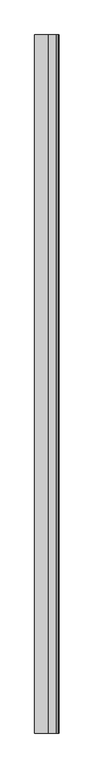
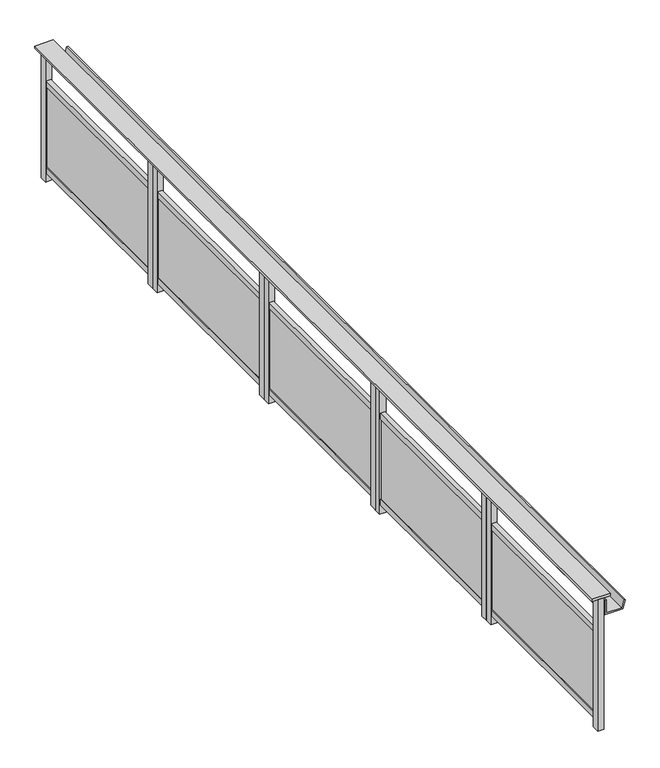
"""IFC4 building model written with IfcOpenShell, lengths in millimetres: railing geometry."""

from ifc_helpers import new_model, si_unit, point, frame, frame_2d, origin, origin_with_axes, place, context, project, spatial, polyline, circle_curve, trimmed, segment, composite_curve, outline, extrude, source, transform, mapped, element, save


def railing_ffc01431(model_context):
    return source(origin(), model_context, "Body", "SweptSolid", [
        extrude(outline(polyline([(2940.5303378, -25760.8033767), (2820.5303378, -25760.8033767), (2820.5303378, -19510.8033767), (2940.5303378, -19510.8033767), (2940.5303378, -25760.8033767)])), frame((0.0, 0.0, 899.8828423), z_axis=(0.0, 0.0, 1.0), x_axis=(1.0, 0.0, 0.0)), (0.0, 0.0, 1.0), 15.1171577),
        extrude(outline(polyline([(780.0, 2905.5303378), (780.0, 3022.7382617), (836.340031, 3037.8345275), (838.9282214, 3028.1752692), (790.0, 3015.0649918), (790.0, 2915.5303378), (880.0, 2915.5303378), (880.0, 2905.5303378), (780.0, 2905.5303378)])), frame((0.0, -25760.8033767, 0.0), z_axis=(0.0, 1.0, 0.0), x_axis=(0.0, 0.0, 1.0)), (0.0, 0.0, 1.0), 6250.0),
        extrude(outline(composite_curve([segment(polyline([(2870.5303378, -19560.8026662), (2880.5303378, -19560.8026662)]), True, "CONTINUOUS"), segment(trimmed(circle_curve(frame_2d((2693.4120647, -19618.3030214)), 195.7537713), [point((2880.5303378, -19560.8026662))], [point((2880.5303378, -19675.8033767))], False, "CARTESIAN"), True, "CONTINUOUS"), segment(trimmed(circle_curve(frame_2d((2693.4120647, -19733.3037319)), 195.7537713), [point((2880.5303378, -19675.8033767))], [point((2880.5303378, -19790.8040871))], False, "CARTESIAN"), True, "CONTINUOUS"), segment(trimmed(circle_curve(frame_2d((2693.4120647, -19848.3044424)), 195.7537713), [point((2880.5303378, -19790.8040871))], [point((2880.5303378, -19905.8047976))], False, "CARTESIAN"), True, "CONTINUOUS"), segment(trimmed(circle_curve(frame_2d((2693.4120647, -19963.3051528)), 195.7537713), [point((2880.5303378, -19905.8047976))], [point((2880.5303378, -20020.8055081))], False, "CARTESIAN"), True, "CONTINUOUS"), segment(trimmed(circle_curve(frame_2d((2693.4120647, -20078.3058633)), 195.7537713), [point((2880.5303378, -20020.8055081))], [point((2880.5303378, -20135.8062185))], False, "CARTESIAN"), True, "CONTINUOUS"), segment(trimmed(circle_curve(frame_2d((2693.4120647, -20193.3065738)), 195.7537713), [point((2880.5303378, -20135.8062185))], [point((2880.5303378, -20250.806929))], False, "CARTESIAN"), True, "CONTINUOUS"), segment(trimmed(circle_curve(frame_2d((2693.4120647, -20308.3072842)), 195.7537713), [point((2880.5303378, -20250.806929))], [point((2880.5303378, -20365.8076395))], False, "CARTESIAN"), True, "CONTINUOUS"), segment(trimmed(circle_curve(frame_2d((2693.4120647, -20423.3079947)), 195.7537713), [point((2880.5303378, -20365.8076395))], [point((2880.5303378, -20480.8083499))], False, "CARTESIAN"), True, "CONTINUOUS"), segment(trimmed(circle_curve(frame_2d((2693.4120647, -20538.3087052)), 195.7537713), [point((2880.5303378, -20480.8083499))], [point((2880.5303378, -20595.8090604))], False, "CARTESIAN"), True, "CONTINUOUS"), segment(trimmed(circle_curve(frame_2d((2693.4120647, -20653.3094156)), 195.7537713), [point((2880.5303378, -20595.8090604))], [point((2880.5303378, -20710.8097709))], False, "CARTESIAN"), True, "CONTINUOUS"), segment(polyline([(2880.5303378, -20710.8097709), (2870.5303378, -20710.8097709), (2870.5303378, -19560.8026662)]), True, "CONTINUOUS")], self_intersect=False)), frame((0.0, 0.0, 100.0), z_axis=(0.0, 0.0, 1.0), x_axis=(1.0, 0.0, 0.0)), (0.0, 0.0, 1.0), 550.0),
        extrude(outline(polyline([(2895.5303378, -19560.8026662), (2895.5303378, -20710.8030382), (2865.5303378, -20710.8030382), (2865.5303378, -19560.8026662), (2895.5303378, -19560.8026662)])), frame((0.0, 0.0, 649.9990226), z_axis=(0.0, 0.0, 1.0), x_axis=(1.0, 0.0, 0.0)), (0.0, 0.0, 1.0), 40.0009774),
        extrude(outline(polyline([(2895.5303378, -19560.8026662), (2895.5303378, -20710.8030382), (2865.5303378, -20710.8030382), (2865.5303378, -19560.8026662), (2895.5303378, -19560.8026662)])), frame((0.0, 0.0, 60.0), z_axis=(0.0, 0.0, 1.0), x_axis=(1.0, 0.0, 0.0)), (0.0, 0.0, 1.0), 40.0),
        extrude(outline(polyline([(2900.5303378, -19510.8033767), (2900.5303378, -19560.8033767), (2860.5303378, -19560.8033767), (2860.5303378, -19510.8033767), (2900.5303378, -19510.8033767)])), origin_with_axes(), (0.0, 0.0, 1.0), 900.0),
        extrude(outline(polyline([(2900.5303378, -20710.8030382), (2900.5303378, -20760.8030382), (2860.5303378, -20760.8030382), (2860.5303378, -20710.8030382), (2900.5303378, -20710.8030382)])), origin_with_axes(), (0.0, 0.0, 1.0), 900.0),
        extrude(outline(composite_curve([segment(polyline([(2870.5303378, -20811.8026662), (2880.5303378, -20811.8026662)]), True, "CONTINUOUS"), segment(trimmed(circle_curve(frame_2d((2693.4120647, -20869.3030214)), 195.7537713), [point((2880.5303378, -20811.8026662))], [point((2880.5303378, -20926.8033767))], False, "CARTESIAN"), True, "CONTINUOUS"), segment(trimmed(circle_curve(frame_2d((2693.4120647, -20984.3037319)), 195.7537713), [point((2880.5303378, -20926.8033767))], [point((2880.5303378, -21041.8040871))], False, "CARTESIAN"), True, "CONTINUOUS"), segment(trimmed(circle_curve(frame_2d((2693.4120647, -21099.3044424)), 195.7537713), [point((2880.5303378, -21041.8040871))], [point((2880.5303378, -21156.8047976))], False, "CARTESIAN"), True, "CONTINUOUS"), segment(trimmed(circle_curve(frame_2d((2693.4120647, -21214.3051528)), 195.7537713), [point((2880.5303378, -21156.8047976))], [point((2880.5303378, -21271.8055081))], False, "CARTESIAN"), True, "CONTINUOUS"), segment(trimmed(circle_curve(frame_2d((2693.4120647, -21329.3058633)), 195.7537713), [point((2880.5303378, -21271.8055081))], [point((2880.5303378, -21386.8062185))], False, "CARTESIAN"), True, "CONTINUOUS"), segment(trimmed(circle_curve(frame_2d((2693.4120647, -21444.3065738)), 195.7537713), [point((2880.5303378, -21386.8062185))], [point((2880.5303378, -21501.806929))], False, "CARTESIAN"), True, "CONTINUOUS"), segment(trimmed(circle_curve(frame_2d((2693.4120647, -21559.3072842)), 195.7537713), [point((2880.5303378, -21501.806929))], [point((2880.5303378, -21616.8076395))], False, "CARTESIAN"), True, "CONTINUOUS"), segment(trimmed(circle_curve(frame_2d((2693.4120647, -21674.3079947)), 195.7537713), [point((2880.5303378, -21616.8076395))], [point((2880.5303378, -21731.8083499))], False, "CARTESIAN"), True, "CONTINUOUS"), segment(trimmed(circle_curve(frame_2d((2693.4120647, -21789.3087052)), 195.7537713), [point((2880.5303378, -21731.8083499))], [point((2880.5303378, -21846.8090604))], False, "CARTESIAN"), True, "CONTINUOUS"), segment(trimmed(circle_curve(frame_2d((2693.4120647, -21904.3094156)), 195.7537713), [point((2880.5303378, -21846.8090604))], [point((2880.5303378, -21961.8097709))], False, "CARTESIAN"), True, "CONTINUOUS"), segment(polyline([(2880.5303378, -21961.8097709), (2870.5303378, -21961.8097709), (2870.5303378, -20811.8026662)]), True, "CONTINUOUS")], self_intersect=False)), frame((0.0, 0.0, 100.0), z_axis=(0.0, 0.0, 1.0), x_axis=(1.0, 0.0, 0.0)), (0.0, 0.0, 1.0), 550.0),
        extrude(outline(polyline([(2895.5303378, -20811.8026662), (2895.5303378, -21961.8030382), (2865.5303378, -21961.8030382), (2865.5303378, -20811.8026662), (2895.5303378, -20811.8026662)])), frame((0.0, 0.0, 649.9990226), z_axis=(0.0, 0.0, 1.0), x_axis=(1.0, 0.0, 0.0)), (0.0, 0.0, 1.0), 40.0009774),
        extrude(outline(polyline([(2895.5303378, -20811.8026662), (2895.5303378, -21961.8030382), (2865.5303378, -21961.8030382), (2865.5303378, -20811.8026662), (2895.5303378, -20811.8026662)])), frame((0.0, 0.0, 60.0), z_axis=(0.0, 0.0, 1.0), x_axis=(1.0, 0.0, 0.0)), (0.0, 0.0, 1.0), 40.0),
        extrude(outline(polyline([(2900.5303378, -20761.8033767), (2900.5303378, -20811.8033767), (2860.5303378, -20811.8033767), (2860.5303378, -20761.8033767), (2900.5303378, -20761.8033767)])), origin_with_axes(), (0.0, 0.0, 1.0), 900.0),
        extrude(outline(polyline([(2900.5303378, -21961.8030382), (2900.5303378, -22011.8030382), (2860.5303378, -22011.8030382), (2860.5303378, -21961.8030382), (2900.5303378, -21961.8030382)])), origin_with_axes(), (0.0, 0.0, 1.0), 900.0),
        extrude(outline(composite_curve([segment(polyline([(2870.5303378, -22062.8026662), (2880.5303378, -22062.8026662)]), True, "CONTINUOUS"), segment(trimmed(circle_curve(frame_2d((2693.4120647, -22120.3030214)), 195.7537713), [point((2880.5303378, -22062.8026662))], [point((2880.5303378, -22177.8033767))], False, "CARTESIAN"), True, "CONTINUOUS"), segment(trimmed(circle_curve(frame_2d((2693.4120647, -22235.3037319)), 195.7537713), [point((2880.5303378, -22177.8033767))], [point((2880.5303378, -22292.8040871))], False, "CARTESIAN"), True, "CONTINUOUS"), segment(trimmed(circle_curve(frame_2d((2693.4120647, -22350.3044424)), 195.7537713), [point((2880.5303378, -22292.8040871))], [point((2880.5303378, -22407.8047976))], False, "CARTESIAN"), True, "CONTINUOUS"), segment(trimmed(circle_curve(frame_2d((2693.4120647, -22465.3051528)), 195.7537713), [point((2880.5303378, -22407.8047976))], [point((2880.5303378, -22522.8055081))], False, "CARTESIAN"), True, "CONTINUOUS"), segment(trimmed(circle_curve(frame_2d((2693.4120647, -22580.3058633)), 195.7537713), [point((2880.5303378, -22522.8055081))], [point((2880.5303378, -22637.8062185))], False, "CARTESIAN"), True, "CONTINUOUS"), segment(trimmed(circle_curve(frame_2d((2693.4120647, -22695.3065738)), 195.7537713), [point((2880.5303378, -22637.8062185))], [point((2880.5303378, -22752.806929))], False, "CARTESIAN"), True, "CONTINUOUS"), segment(trimmed(circle_curve(frame_2d((2693.4120647, -22810.3072842)), 195.7537713), [point((2880.5303378, -22752.806929))], [point((2880.5303378, -22867.8076395))], False, "CARTESIAN"), True, "CONTINUOUS"), segment(trimmed(circle_curve(frame_2d((2693.4120647, -22925.3079947)), 195.7537713), [point((2880.5303378, -22867.8076395))], [point((2880.5303378, -22982.8083499))], False, "CARTESIAN"), True, "CONTINUOUS"), segment(trimmed(circle_curve(frame_2d((2693.4120647, -23040.3087052)), 195.7537713), [point((2880.5303378, -22982.8083499))], [point((2880.5303378, -23097.8090604))], False, "CARTESIAN"), True, "CONTINUOUS"), segment(trimmed(circle_curve(frame_2d((2693.4120647, -23155.3094156)), 195.7537713), [point((2880.5303378, -23097.8090604))], [point((2880.5303378, -23212.8097709))], False, "CARTESIAN"), True, "CONTINUOUS"), segment(polyline([(2880.5303378, -23212.8097709), (2870.5303378, -23212.8097709), (2870.5303378, -22062.8026662)]), True, "CONTINUOUS")], self_intersect=False)), frame((0.0, 0.0, 100.0), z_axis=(0.0, 0.0, 1.0), x_axis=(1.0, 0.0, 0.0)), (0.0, 0.0, 1.0), 550.0),
        extrude(outline(polyline([(2895.5303378, -22062.8026662), (2895.5303378, -23212.8030382), (2865.5303378, -23212.8030382), (2865.5303378, -22062.8026662), (2895.5303378, -22062.8026662)])), frame((0.0, 0.0, 649.9990226), z_axis=(0.0, 0.0, 1.0), x_axis=(1.0, 0.0, 0.0)), (0.0, 0.0, 1.0), 40.0009774),
        extrude(outline(polyline([(2895.5303378, -22062.8026662), (2895.5303378, -23212.8030382), (2865.5303378, -23212.8030382), (2865.5303378, -22062.8026662), (2895.5303378, -22062.8026662)])), frame((0.0, 0.0, 60.0), z_axis=(0.0, 0.0, 1.0), x_axis=(1.0, 0.0, 0.0)), (0.0, 0.0, 1.0), 40.0),
        extrude(outline(polyline([(2900.5303378, -22012.8033767), (2900.5303378, -22062.8033767), (2860.5303378, -22062.8033767), (2860.5303378, -22012.8033767), (2900.5303378, -22012.8033767)])), origin_with_axes(), (0.0, 0.0, 1.0), 900.0),
        extrude(outline(polyline([(2900.5303378, -23212.8030382), (2900.5303378, -23262.8030382), (2860.5303378, -23262.8030382), (2860.5303378, -23212.8030382), (2900.5303378, -23212.8030382)])), origin_with_axes(), (0.0, 0.0, 1.0), 900.0),
        extrude(outline(composite_curve([segment(polyline([(2870.5303378, -23311.8028355), (2880.5303378, -23311.8028355)]), True, "CONTINUOUS"), segment(trimmed(circle_curve(frame_2d((2693.4120647, -23369.3031907)), 195.7537713), [point((2880.5303378, -23311.8028355))], [point((2880.5303378, -23426.8035459))], False, "CARTESIAN"), True, "CONTINUOUS"), segment(trimmed(circle_curve(frame_2d((2693.4120647, -23484.3039012)), 195.7537713), [point((2880.5303378, -23426.8035459))], [point((2880.5303378, -23541.8042564))], False, "CARTESIAN"), True, "CONTINUOUS"), segment(trimmed(circle_curve(frame_2d((2693.4120647, -23599.3046116)), 195.7537713), [point((2880.5303378, -23541.8042564))], [point((2880.5303378, -23656.8049668))], False, "CARTESIAN"), True, "CONTINUOUS"), segment(trimmed(circle_curve(frame_2d((2693.4120647, -23714.3053221)), 195.7537713), [point((2880.5303378, -23656.8049668))], [point((2880.5303378, -23771.8056773))], False, "CARTESIAN"), True, "CONTINUOUS"), segment(trimmed(circle_curve(frame_2d((2693.4120647, -23829.3060325)), 195.7537713), [point((2880.5303378, -23771.8056773))], [point((2880.5303378, -23886.8063878))], False, "CARTESIAN"), True, "CONTINUOUS"), segment(trimmed(circle_curve(frame_2d((2693.4120647, -23944.306743)), 195.7537713), [point((2880.5303378, -23886.8063878))], [point((2880.5303378, -24001.8070982))], False, "CARTESIAN"), True, "CONTINUOUS"), segment(trimmed(circle_curve(frame_2d((2693.4120647, -24059.3074535)), 195.7537713), [point((2880.5303378, -24001.8070982))], [point((2880.5303378, -24116.8078087))], False, "CARTESIAN"), True, "CONTINUOUS"), segment(trimmed(circle_curve(frame_2d((2693.4120647, -24174.3081639)), 195.7537713), [point((2880.5303378, -24116.8078087))], [point((2880.5303378, -24231.8085192))], False, "CARTESIAN"), True, "CONTINUOUS"), segment(trimmed(circle_curve(frame_2d((2693.4120647, -24289.3088744)), 195.7537713), [point((2880.5303378, -24231.8085192))], [point((2880.5303378, -24346.8092296))], False, "CARTESIAN"), True, "CONTINUOUS"), segment(trimmed(circle_curve(frame_2d((2693.4120647, -24404.3095849)), 195.7537713), [point((2880.5303378, -24346.8092296))], [point((2880.5303378, -24461.8099401))], False, "CARTESIAN"), True, "CONTINUOUS"), segment(polyline([(2880.5303378, -24461.8099401), (2870.5303378, -24461.8099401), (2870.5303378, -23311.8028355)]), True, "CONTINUOUS")], self_intersect=False)), frame((0.0, 0.0, 100.0), z_axis=(0.0, 0.0, 1.0), x_axis=(1.0, 0.0, 0.0)), (0.0, 0.0, 1.0), 550.0),
        extrude(outline(polyline([(2895.5303378, -23311.8028355), (2895.5303378, -24461.8032074), (2865.5303378, -24461.8032074), (2865.5303378, -23311.8028355), (2895.5303378, -23311.8028355)])), frame((0.0, 0.0, 649.9990226), z_axis=(0.0, 0.0, 1.0), x_axis=(1.0, 0.0, 0.0)), (0.0, 0.0, 1.0), 40.0009774),
        extrude(outline(polyline([(2895.5303378, -23311.8028355), (2895.5303378, -24461.8032074), (2865.5303378, -24461.8032074), (2865.5303378, -23311.8028355), (2895.5303378, -23311.8028355)])), frame((0.0, 0.0, 60.0), z_axis=(0.0, 0.0, 1.0), x_axis=(1.0, 0.0, 0.0)), (0.0, 0.0, 1.0), 40.0),
        extrude(outline(polyline([(2900.5303378, -23261.8035459), (2900.5303378, -23311.8035459), (2860.5303378, -23311.8035459), (2860.5303378, -23261.8035459), (2900.5303378, -23261.8035459)])), origin_with_axes(), (0.0, 0.0, 1.0), 900.0),
        extrude(outline(polyline([(2900.5303378, -24461.8032074), (2900.5303378, -24511.8032074), (2860.5303378, -24511.8032074), (2860.5303378, -24461.8032074), (2900.5303378, -24461.8032074)])), origin_with_axes(), (0.0, 0.0, 1.0), 900.0),
        extrude(outline(composite_curve([segment(polyline([(2870.5303378, -24560.8030047), (2880.5303378, -24560.8030047)]), True, "CONTINUOUS"), segment(trimmed(circle_curve(frame_2d((2693.4120647, -24618.3033599)), 195.7537713), [point((2880.5303378, -24560.8030047))], [point((2880.5303378, -24675.8037152))], False, "CARTESIAN"), True, "CONTINUOUS"), segment(trimmed(circle_curve(frame_2d((2693.4120647, -24733.3040704)), 195.7537713), [point((2880.5303378, -24675.8037152))], [point((2880.5303378, -24790.8044256))], False, "CARTESIAN"), True, "CONTINUOUS"), segment(trimmed(circle_curve(frame_2d((2693.4120647, -24848.3047809)), 195.7537713), [point((2880.5303378, -24790.8044256))], [point((2880.5303378, -24905.8051361))], False, "CARTESIAN"), True, "CONTINUOUS"), segment(trimmed(circle_curve(frame_2d((2693.4120647, -24963.3054913)), 195.7537713), [point((2880.5303378, -24905.8051361))], [point((2880.5303378, -25020.8058466))], False, "CARTESIAN"), True, "CONTINUOUS"), segment(trimmed(circle_curve(frame_2d((2693.4120647, -25078.3062018)), 195.7537713), [point((2880.5303378, -25020.8058466))], [point((2880.5303378, -25135.806557))], False, "CARTESIAN"), True, "CONTINUOUS"), segment(trimmed(circle_curve(frame_2d((2693.4120647, -25193.3069123)), 195.7537713), [point((2880.5303378, -25135.806557))], [point((2880.5303378, -25250.8072675))], False, "CARTESIAN"), True, "CONTINUOUS"), segment(trimmed(circle_curve(frame_2d((2693.4120647, -25308.3076227)), 195.7537713), [point((2880.5303378, -25250.8072675))], [point((2880.5303378, -25365.807978))], False, "CARTESIAN"), True, "CONTINUOUS"), segment(trimmed(circle_curve(frame_2d((2693.4120647, -25423.3083332)), 195.7537713), [point((2880.5303378, -25365.807978))], [point((2880.5303378, -25480.8086884))], False, "CARTESIAN"), True, "CONTINUOUS"), segment(trimmed(circle_curve(frame_2d((2693.4120647, -25538.3090437)), 195.7537713), [point((2880.5303378, -25480.8086884))], [point((2880.5303378, -25595.8093989))], False, "CARTESIAN"), True, "CONTINUOUS"), segment(trimmed(circle_curve(frame_2d((2693.4120647, -25653.3097541)), 195.7537713), [point((2880.5303378, -25595.8093989))], [point((2880.5303378, -25710.8101094))], False, "CARTESIAN"), True, "CONTINUOUS"), segment(polyline([(2880.5303378, -25710.8101094), (2870.5303378, -25710.8101094), (2870.5303378, -24560.8030047)]), True, "CONTINUOUS")], self_intersect=False)), frame((0.0, 0.0, 100.0), z_axis=(0.0, 0.0, 1.0), x_axis=(1.0, 0.0, 0.0)), (0.0, 0.0, 1.0), 550.0),
        extrude(outline(polyline([(2895.5303378, -24560.8030047), (2895.5303378, -25710.8033767), (2865.5303378, -25710.8033767), (2865.5303378, -24560.8030047), (2895.5303378, -24560.8030047)])), frame((0.0, 0.0, 649.9990226), z_axis=(0.0, 0.0, 1.0), x_axis=(1.0, 0.0, 0.0)), (0.0, 0.0, 1.0), 40.0009774),
        extrude(outline(polyline([(2895.5303378, -24560.8030047), (2895.5303378, -25710.8033767), (2865.5303378, -25710.8033767), (2865.5303378, -24560.8030047), (2895.5303378, -24560.8030047)])), frame((0.0, 0.0, 60.0), z_axis=(0.0, 0.0, 1.0), x_axis=(1.0, 0.0, 0.0)), (0.0, 0.0, 1.0), 40.0),
        extrude(outline(polyline([(2900.5303378, -24510.8037152), (2900.5303378, -24560.8037152), (2860.5303378, -24560.8037152), (2860.5303378, -24510.8037152), (2900.5303378, -24510.8037152)])), origin_with_axes(), (0.0, 0.0, 1.0), 900.0),
        extrude(outline(polyline([(2900.5303378, -25710.8033767), (2900.5303378, -25760.8033767), (2860.5303378, -25760.8033767), (2860.5303378, -25710.8033767), (2900.5303378, -25710.8033767)])), origin_with_axes(), (0.0, 0.0, 1.0), 900.0),
    ])


if __name__ == "__main__":
    model = new_model("IFC4")
    model_context = context("Model", 3, world=origin())
    ifc_project = project(units=[si_unit("LENGTHUNIT", "METRE", prefix="MILLI")], contexts=[model_context])
    site = spatial("IfcSite", under=ifc_project)
    building = spatial("IfcBuilding", under=site)
    placement = place(None, origin())
    railing_shape = railing_ffc01431(model_context)
    element("IfcRailing", 1, at=placement, inside=building, context=model_context, shape_type="MappedRepresentation", body=[
        mapped(railing_shape, transform((0.0, 0.0, 0.0), x_axis=(1.0, 0.0, 0.0), y_axis=(0.0, 1.0, 0.0), z_axis=(0.0, 0.0, 1.0))),
    ])
    save(model, "model.ifc")
